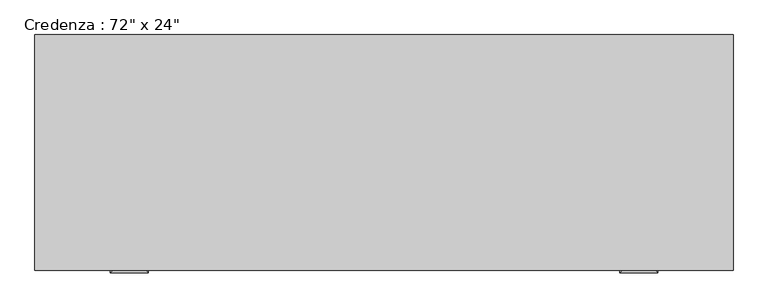
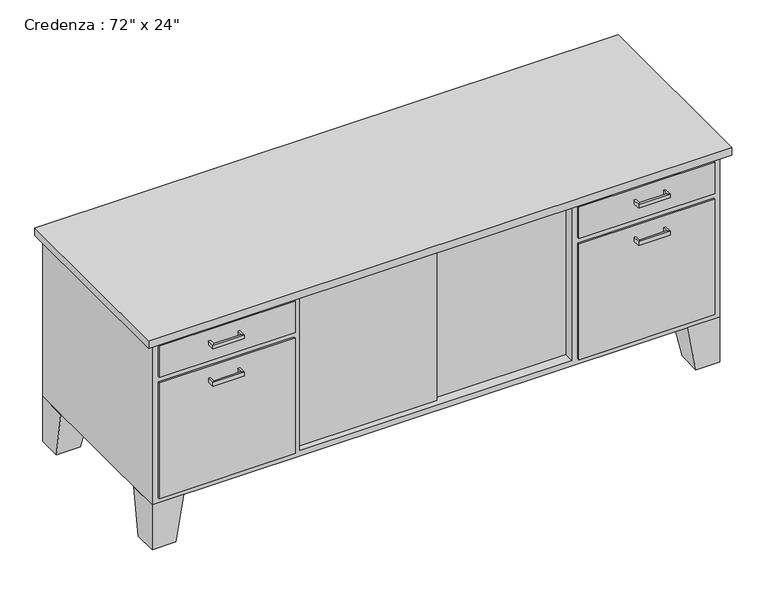
"""IFC4 building model written with IfcOpenShell, lengths in millimetres: furniture geometry."""

from ifc_helpers import new_model, si_unit, frame, origin, place, context, project, spatial, polyline, outline, extrude, faceted_brep, source, transform, mapped, element, save


def furniture_7b927048(model_context):
    return source(origin(), model_context, "Body", "SolidModel", [
        extrude(outline(polyline([(531.7023176, -267.2714583), (46.8442623, -267.2714583), (46.8442623, -254.5714583), (531.7023176, -254.5714583), (531.7023176, -267.2714583)])), frame((0.0, 0.0, 171.45), z_axis=(0.0, 0.0, 1.0), x_axis=(1.0, 0.0, 0.0)), (0.0, 0.0, 1.0), 520.7),
        extrude(outline(polyline([(73.6254475, -279.9714583), (-378.6057377, -279.9714583), (-378.6057377, -267.2714583), (73.6254475, -267.2714583), (73.6254475, -279.9714583)])), frame((0.0, 0.0, 171.45), z_axis=(0.0, 0.0, 1.0), x_axis=(1.0, 0.0, 0.0)), (0.0, 0.0, 1.0), 520.7),
        faceted_brep([(872.3442623, 309.3803279, 152.4), (872.3442623, 207.7803279, 152.4), (973.9442623, 207.7803279, 152.4), (973.9442623, 309.3803279, 152.4), (897.7442623, 309.3803279, 0.0), (973.9442623, 309.3803279, 0.0), (973.9442623, 233.1803279, 0.0), (897.7442623, 233.1803279, 0.0)], [[[0, 1, 2, 3]], [[4, 5, 6, 7]], [[4, 7, 1, 0]], [[7, 6, 2, 1]], [[6, 5, 3, 2]], [[5, 4, 0, 3]]]),
        extrude(outline(polyline([(954.8942623, -306.5696721), (516.7442623, -306.5696721), (516.7442623, -300.2196721), (954.8942623, -300.2196721), (954.8942623, -306.5696721)])), frame((0.0, 0.0, 584.2), z_axis=(0.0, 0.0, 1.0), x_axis=(1.0, 0.0, 0.0)), (0.0, 0.0, 1.0), 107.95),
        extrude(outline(polyline([(954.8942623, -306.5696721), (516.7442623, -306.5696721), (516.7442623, -300.2196721), (954.8942623, -300.2196721), (954.8942623, -306.5696721)])), frame((0.0, 0.0, 171.45), z_axis=(0.0, 0.0, 1.0), x_axis=(1.0, 0.0, 0.0)), (0.0, 0.0, 1.0), 393.7),
        extrude(outline(polyline([(-397.6557377, -306.5696721), (-835.8057377, -306.5696721), (-835.8057377, -300.2196721), (-397.6557377, -300.2196721), (-397.6557377, -306.5696721)])), frame((0.0, 0.0, 584.2), z_axis=(0.0, 0.0, 1.0), x_axis=(1.0, 0.0, 0.0)), (0.0, 0.0, 1.0), 107.95),
        extrude(outline(polyline([(-397.6557377, -306.5696721), (-835.8057377, -306.5696721), (-835.8057377, -300.2196721), (-397.6557377, -300.2196721), (-397.6557377, -306.5696721)])), frame((0.0, 0.0, 171.45), z_axis=(0.0, 0.0, 1.0), x_axis=(1.0, 0.0, 0.0)), (0.0, 0.0, 1.0), 393.7),
        faceted_brep([(-753.2557377, -300.2196721, 152.4), (-753.2557377, -198.6196721, 152.4), (-854.8557377, -198.6196721, 152.4), (-854.8557377, -300.2196721, 152.4), (-778.6557377, -300.2196721, 0.0), (-854.8557377, -300.2196721, 0.0), (-854.8557377, -224.0196721, 0.0), (-778.6557377, -224.0196721, 0.0)], [[[0, 1, 2, 3]], [[4, 5, 6, 7]], [[4, 7, 1, 0]], [[7, 6, 2, 1]], [[6, 5, 3, 2]], [[5, 4, 0, 3]]]),
        faceted_brep([(-753.2557377, 309.3803279, 152.4), (-854.8557377, 309.3803279, 152.4), (-854.8557377, 207.7803279, 152.4), (-753.2557377, 207.7803279, 152.4), (-778.6557377, 309.3803279, 0.0), (-778.6557377, 233.1803279, 0.0), (-854.8557377, 233.1803279, 0.0), (-854.8557377, 309.3803279, 0.0)], [[[0, 1, 2, 3]], [[4, 5, 6, 7]], [[4, 7, 1, 0]], [[7, 6, 2, 1]], [[6, 5, 3, 2]], [[5, 4, 0, 3]]]),
        faceted_brep([(872.3442623, -300.2196721, 152.4), (973.9442623, -300.2196721, 152.4), (973.9442623, -198.6196721, 152.4), (872.3442623, -198.6196721, 152.4), (897.7442623, -300.2196721, 0.0), (897.7442623, -224.0196721, 0.0), (973.9442623, -224.0196721, 0.0), (973.9442623, -300.2196721, 0.0)], [[[0, 1, 2, 3]], [[4, 5, 6, 7]], [[4, 7, 1, 0]], [[7, 6, 2, 1]], [[6, 5, 3, 2]], [[5, 4, 0, 3]]]),
        faceted_brep([(973.9442623, 309.3803279, 711.2), (-854.8557377, 309.3803279, 711.2), (-854.8557377, -300.2196721, 711.2), (973.9442623, -300.2196721, 711.2), (973.9442623, 309.3803279, 152.4), (973.9442623, -300.2196721, 152.4), (-854.8557377, -300.2196721, 152.4), (-854.8557377, 309.3803279, 152.4), (-378.6057377, -300.2196721, 692.15), (497.6942623, -300.2196721, 692.15), (497.6942623, -300.2196721, 171.45), (-378.6057377, -300.2196721, 171.45), (497.6942623, 290.3303279, 692.15), (-378.6057377, 290.3303279, 692.15), (-378.6057377, 290.3303279, 171.45), (497.6942623, 290.3303279, 171.45)], [[[0, 1, 2, 3]], [[4, 5, 6, 7]], [[1, 0, 4, 7]], [[2, 1, 7, 6]], [[3, 2, 6, 5], [8, 9, 10, 11]], [[0, 3, 5, 4]], [[12, 13, 14, 15]], [[13, 12, 9, 8]], [[14, 13, 8, 11]], [[15, 14, 11, 10]], [[12, 15, 10, 9]]]),
        extrude(outline(polyline([(999.3442623, 309.3803279), (999.3442623, -325.6196721), (-880.2557377, -325.6196721), (-880.2557377, 309.3803279), (999.3442623, 309.3803279)])), frame((0.0, 0.0, 711.2), z_axis=(0.0, 0.0, 1.0), x_axis=(1.0, 0.0, 0.0)), (0.0, 0.0, 1.0), 25.4),
        faceted_brep([(-670.7057377, -306.5696721, 527.05), (-670.7057377, -306.5696721, 514.35), (-677.0557377, -306.5696721, 514.35), (-677.0557377, -306.5696721, 527.05), (-670.7057377, -325.6196721, 527.05), (-670.7057377, -325.6196721, 514.35), (-677.0557377, -331.9696721, 514.35), (-677.0557377, -331.9696721, 527.05), (-581.8057377, -325.6196721, 527.05), (-581.8057377, -325.6196721, 514.35), (-575.4557377, -331.9696721, 514.35), (-575.4557377, -331.9696721, 527.05), (-581.8057377, -306.5696721, 527.05), (-575.4557377, -306.5696721, 527.05), (-575.4557377, -306.5696721, 514.35), (-581.8057377, -306.5696721, 514.35)], [[[0, 1, 2, 3]], [[1, 0, 4, 5]], [[2, 1, 5, 6]], [[3, 2, 6, 7]], [[0, 3, 7, 4]], [[5, 4, 8, 9]], [[6, 5, 9, 10]], [[7, 6, 10, 11]], [[4, 7, 11, 8]], [[12, 13, 14, 15]], [[9, 8, 12, 15]], [[10, 9, 15, 14]], [[11, 10, 14, 13]], [[8, 11, 13, 12]]]),
        faceted_brep([(-670.7057377, -306.5696721, 654.05), (-670.7057377, -306.5696721, 641.35), (-677.0557377, -306.5696721, 641.35), (-677.0557377, -306.5696721, 654.05), (-670.7057377, -325.6196721, 654.05), (-670.7057377, -325.6196721, 641.35), (-677.0557377, -331.9696721, 641.35), (-677.0557377, -331.9696721, 654.05), (-581.8057377, -325.6196721, 654.05), (-581.8057377, -325.6196721, 641.35), (-575.4557377, -331.9696721, 641.35), (-575.4557377, -331.9696721, 654.05), (-581.8057377, -306.5696721, 654.05), (-575.4557377, -306.5696721, 654.05), (-575.4557377, -306.5696721, 641.35), (-581.8057377, -306.5696721, 641.35)], [[[0, 1, 2, 3]], [[1, 0, 4, 5]], [[2, 1, 5, 6]], [[3, 2, 6, 7]], [[0, 3, 7, 4]], [[5, 4, 8, 9]], [[6, 5, 9, 10]], [[7, 6, 10, 11]], [[4, 7, 11, 8]], [[12, 13, 14, 15]], [[9, 8, 12, 15]], [[10, 9, 15, 14]], [[11, 10, 14, 13]], [[8, 11, 13, 12]]]),
        faceted_brep([(700.8942623, -306.5696721, 654.1373112), (700.8942623, -306.5696721, 641.4373112), (694.5442623, -306.5696721, 641.4373112), (694.5442623, -306.5696721, 654.1373112), (700.8942623, -325.6196721, 654.1373112), (700.8942623, -325.6196721, 641.4373112), (694.5442623, -331.9696721, 641.4373112), (694.5442623, -331.9696721, 654.1373112), (789.7942623, -325.6196721, 654.1373112), (789.7942623, -325.6196721, 641.4373112), (796.1442623, -331.9696721, 641.4373112), (796.1442623, -331.9696721, 654.1373112), (789.7942623, -306.5696721, 654.1373112), (796.1442623, -306.5696721, 654.1373112), (796.1442623, -306.5696721, 641.4373112), (789.7942623, -306.5696721, 641.4373112)], [[[0, 1, 2, 3]], [[1, 0, 4, 5]], [[2, 1, 5, 6]], [[3, 2, 6, 7]], [[0, 3, 7, 4]], [[5, 4, 8, 9]], [[6, 5, 9, 10]], [[7, 6, 10, 11]], [[4, 7, 11, 8]], [[12, 13, 14, 15]], [[9, 8, 12, 15]], [[10, 9, 15, 14]], [[11, 10, 14, 13]], [[8, 11, 13, 12]]]),
        faceted_brep([(700.8942623, -306.5696721, 527.05), (700.8942623, -306.5696721, 514.35), (694.5442623, -306.5696721, 514.35), (694.5442623, -306.5696721, 527.05), (700.8942623, -325.6196721, 527.05), (700.8942623, -325.6196721, 514.35), (694.5442623, -331.9696721, 514.35), (694.5442623, -331.9696721, 527.05), (789.7942623, -325.6196721, 527.05), (789.7942623, -325.6196721, 514.35), (796.1442623, -331.9696721, 514.35), (796.1442623, -331.9696721, 527.05), (789.7942623, -306.5696721, 527.05), (796.1442623, -306.5696721, 527.05), (796.1442623, -306.5696721, 514.35), (789.7942623, -306.5696721, 514.35)], [[[0, 1, 2, 3]], [[1, 0, 4, 5]], [[2, 1, 5, 6]], [[3, 2, 6, 7]], [[0, 3, 7, 4]], [[5, 4, 8, 9]], [[6, 5, 9, 10]], [[7, 6, 10, 11]], [[4, 7, 11, 8]], [[12, 13, 14, 15]], [[9, 8, 12, 15]], [[10, 9, 15, 14]], [[11, 10, 14, 13]], [[8, 11, 13, 12]]]),
    ])


if __name__ == "__main__":
    model = new_model("IFC4")
    model_context = context("Model", 3, world=origin())
    ifc_project = project(units=[si_unit("LENGTHUNIT", "METRE", prefix="MILLI")], contexts=[model_context])
    site = spatial("IfcSite", under=ifc_project)
    building = spatial("IfcBuilding", under=site)
    placement = place(None, origin())
    furniture_shape = furniture_7b927048(model_context)
    element("IfcFurniture", 1, ObjectType="Credenza : 72\" x 24\"", at=placement, inside=building, context=model_context, shape_type="MappedRepresentation", body=[
        mapped(furniture_shape, transform((0.0, 0.0, 0.0), x_axis=(1.0, 0.0, 0.0), y_axis=(0.0, 1.0, 0.0), z_axis=(0.0, 0.0, 1.0))),
    ])
    save(model, "model.ifc")
